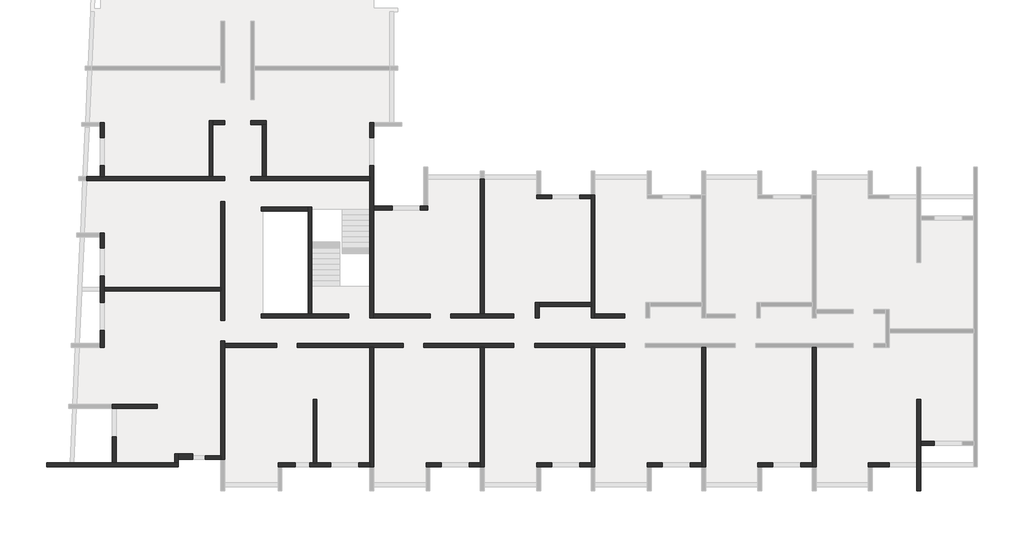
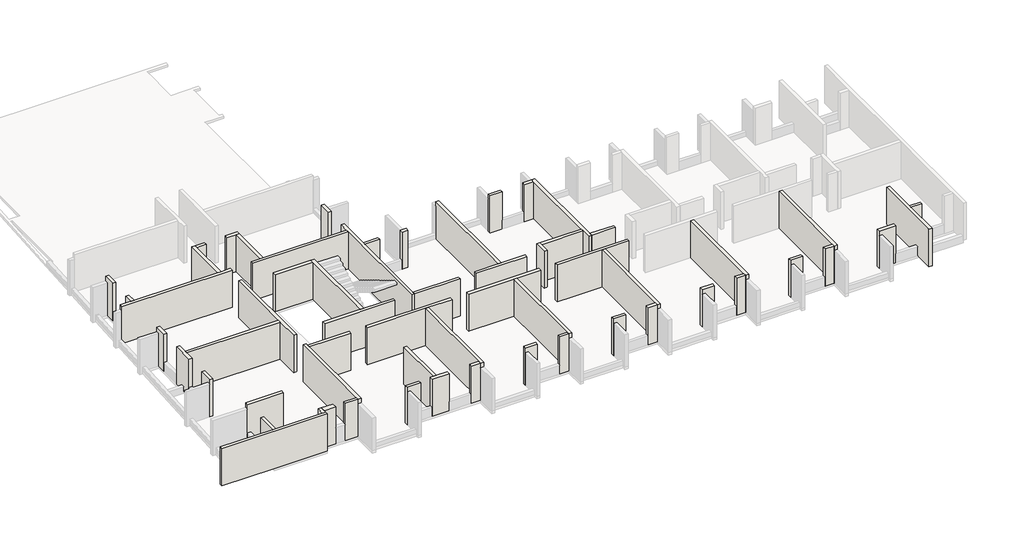
# One storey, part 1 of 4: 60 walls.
"""IFC4 building model written with IfcOpenShell, lengths in millimetres."""

from ifc_helpers import new_model, si_unit, frame, origin, place, context, project, spatial, polyline, outline, extrude, faceted_brep, element, save

model = new_model("IFC4")

# Units and contexts
model_context = context("Model", 3, world=origin())
ifc_project = project(units=[si_unit("LENGTHUNIT", "METRE", prefix="MILLI")], contexts=[model_context])

# Site, building, storey
site = spatial("IfcSite", under=ifc_project)
building = spatial("IfcBuilding", under=site)
storey = spatial("IfcBuildingStorey", under=building, Elevation=12290.0)

# Walls
placement = place(None, origin())
element("IfcWall", 1, ObjectType="MHA20", at=placement, inside=storey, context=model_context, shape_type="Brep", body=[
    faceted_brep([(-6305.6912908, -19419.0672499, 12290.0), (-6305.6912908, -13279.0672499, 12290.0), (-6305.6912908, -13279.0672499, 14820.0), (-6305.6912908, -19419.0672499, 14820.0), (-6305.6912908, -19419.0672499, 14520.0), (-6505.6912908, -19419.0672499, 12290.0), (-6505.6912908, -19419.0672499, 14520.0), (-6505.6912908, -19419.0672499, 14820.0), (-6505.6912908, -19219.0672499, 14820.0), (-6505.6912908, -13279.0672499, 14820.0), (-6505.6912908, -13279.0672499, 12290.0), (-6505.6912908, -19219.0672499, 12290.0)], [[[0, 1, 2, 3, 4]], [[5, 6, 7, 8, 9, 10, 11]], [[1, 0, 5, 11, 10]], [[3, 2, 9, 8, 7]], [[2, 1, 10, 9]], [[0, 4, 3, 7, 6, 5]]]),
])
element("IfcWall", 2, ObjectType="MHA20", at=placement, inside=storey, context=model_context, shape_type="Brep", body=[
    faceted_brep([(-925.6912908, -20669.0672499, 12290.0), (-925.6912908, -18319.0672499, 12290.0), (-925.6912908, -18119.0672499, 12290.0), (-925.6912908, -15939.0672499, 12290.0), (-925.6912908, -15939.0672499, 14820.0), (-925.6912908, -18119.0672499, 14820.0), (-925.6912908, -18319.0672499, 14820.0), (-925.6912908, -20669.0672499, 14820.0), (-1125.6912908, -20669.0672499, 12290.0), (-1125.6912908, -20669.0672499, 14820.0), (-1125.6912908, -15939.0672499, 14820.0), (-1125.6912908, -15939.0672499, 12290.0), (-1125.6912908, -19219.0672499, 12290.0), (-1125.6912908, -19419.0672499, 12290.0)], [[[0, 1, 2, 3, 4, 5, 6, 7]], [[8, 9, 10, 11, 12, 13]], [[3, 2, 1, 0, 8, 13, 12, 11]], [[4, 3, 11, 10]], [[7, 6, 5, 4, 10, 9]], [[0, 7, 9, 8]]]),
])
element("IfcWall", 3, ObjectType="MHA20", at=placement, inside=storey, context=model_context, shape_type="SweptSolid", body=[
    extrude(outline(polyline([(-225.6912908, -18319.0672499), (-925.6912908, -18319.0672499), (-925.6912908, -18119.0672499), (-225.6912908, -18119.0672499), (-225.6912908, -18319.0672499)])), frame((0.0, 0.0, 12290.0), z_axis=(0.0, 0.0, 1.0), x_axis=(1.0, 0.0, 0.0)), (0.0, 0.0, 1.0), 2530.0),
])
element("IfcWall", 4, ObjectType="MHA20", at=placement, inside=storey, context=model_context, shape_type="Brep", body=[
    faceted_brep([(-3615.6912908, -19419.0672499, 12290.0), (-3415.6912908, -19419.0672499, 12290.0), (-2545.6912908, -19419.0672499, 12290.0), (-2545.6912908, -19419.0672499, 12890.0), (-2545.6912908, -19419.0672499, 14820.0), (-3615.6912908, -19419.0672499, 14820.0), (-3615.6912908, -19419.0672499, 14520.0), (-3615.6912908, -19219.0672499, 12290.0), (-3615.6912908, -19219.0672499, 14820.0), (-2545.6912908, -19219.0672499, 14820.0), (-2545.6912908, -19219.0672499, 12890.0), (-2545.6912908, -19219.0672499, 12290.0)], [[[0, 1, 2, 3, 4, 5, 6]], [[7, 8, 9, 10, 11]], [[2, 1, 0, 7, 11]], [[4, 3, 2, 11, 10, 9]], [[5, 4, 9, 8]], [[0, 6, 5, 8, 7]]]),
])
element("IfcWall", 5, ObjectType="MHA20", at=placement, inside=storey, context=model_context, shape_type="Brep", body=[
    faceted_brep([(-11995.6912908, -19419.0672499, 12290.0), (-11995.6912908, -13279.0672499, 12290.0), (-11995.6912908, -13279.0672499, 14820.0), (-11995.6912908, -19419.0672499, 14820.0), (-11995.6912908, -19419.0672499, 14520.0), (-12195.6912908, -19419.0672499, 12290.0), (-12195.6912908, -19419.0672499, 14520.0), (-12195.6912908, -19419.0672499, 14820.0), (-12195.6912908, -19219.0672499, 14820.0), (-12195.6912908, -13279.0672499, 14820.0), (-12195.6912908, -13279.0672499, 12290.0), (-12195.6912908, -19219.0672499, 12290.0)], [[[0, 1, 2, 3, 4]], [[5, 6, 7, 8, 9, 10, 11]], [[1, 0, 5, 11, 10]], [[3, 2, 9, 8, 7]], [[2, 1, 10, 9]], [[0, 4, 3, 7, 6, 5]]]),
])
element("IfcWall", 6, ObjectType="MHA20", at=placement, inside=storey, context=model_context, shape_type="Brep", body=[
    faceted_brep([(-9305.6912908, -19419.0672499, 12290.0), (-9105.6912908, -19419.0672499, 12290.0), (-8525.6912908, -19419.0672499, 12290.0), (-8525.6912908, -19419.0672499, 12890.0), (-8525.6912908, -19419.0672499, 14820.0), (-9305.6912908, -19419.0672499, 14820.0), (-9305.6912908, -19419.0672499, 14520.0), (-9305.6912908, -19219.0672499, 12290.0), (-9305.6912908, -19219.0672499, 14820.0), (-8525.6912908, -19219.0672499, 14820.0), (-8525.6912908, -19219.0672499, 12890.0), (-8525.6912908, -19219.0672499, 12290.0)], [[[0, 1, 2, 3, 4, 5, 6]], [[7, 8, 9, 10, 11]], [[2, 1, 0, 7, 11]], [[4, 3, 2, 11, 10, 9]], [[5, 4, 9, 8]], [[0, 6, 5, 8, 7]]]),
])
element("IfcWall", 7, ObjectType="MHA20", at=placement, inside=storey, context=model_context, shape_type="Brep", body=[
    faceted_brep([(-7085.6912908, -19419.0672499, 12290.0), (-6505.6912908, -19419.0672499, 12290.0), (-6505.6912908, -19419.0672499, 14820.0), (-7085.6912908, -19419.0672499, 14820.0), (-7085.6912908, -19419.0672499, 12890.0), (-7085.6912908, -19219.0672499, 12290.0), (-7085.6912908, -19219.0672499, 12890.0), (-7085.6912908, -19219.0672499, 14820.0), (-6505.6912908, -19219.0672499, 14820.0), (-6505.6912908, -19219.0672499, 12290.0)], [[[0, 1, 2, 3, 4]], [[5, 6, 7, 8, 9]], [[1, 0, 5, 9]], [[3, 2, 8, 7]], [[0, 4, 3, 7, 6, 5]], [[2, 1, 9, 8]]]),
])
element("IfcWall", 8, ObjectType="MHA20", at=placement, inside=storey, context=model_context, shape_type="Brep", body=[
    faceted_brep([(-17685.6912908, -19419.0672499, 12290.0), (-17685.6912908, -13279.0672499, 12290.0), (-17685.6912908, -13279.0672499, 14820.0), (-17685.6912908, -19419.0672499, 14820.0), (-17685.6912908, -19419.0672499, 14520.0), (-17885.6912908, -19419.0672499, 12290.0), (-17885.6912908, -19419.0672499, 14520.0), (-17885.6912908, -19419.0672499, 14820.0), (-17885.6912908, -19219.0672499, 14820.0), (-17885.6912908, -13279.0672499, 14820.0), (-17885.6912908, -13279.0672499, 12290.0), (-17885.6912908, -19219.0672499, 12290.0)], [[[0, 1, 2, 3, 4]], [[5, 6, 7, 8, 9, 10, 11]], [[1, 0, 5, 11, 10]], [[3, 2, 9, 8, 7]], [[2, 1, 10, 9]], [[0, 4, 3, 7, 6, 5]]]),
])
element("IfcWall", 9, ObjectType="MHA20", at=placement, inside=storey, context=model_context, shape_type="Brep", body=[
    faceted_brep([(-14995.6912908, -19419.0672499, 12290.0), (-14795.6912908, -19419.0672499, 12290.0), (-14215.6912908, -19419.0672499, 12290.0), (-14215.6912908, -19419.0672499, 12890.0), (-14215.6912908, -19419.0672499, 14820.0), (-14995.6912908, -19419.0672499, 14820.0), (-14995.6912908, -19419.0672499, 14520.0), (-14995.6912908, -19219.0672499, 12290.0), (-14995.6912908, -19219.0672499, 14820.0), (-14215.6912908, -19219.0672499, 14820.0), (-14215.6912908, -19219.0672499, 12890.0), (-14215.6912908, -19219.0672499, 12290.0)], [[[0, 1, 2, 3, 4, 5, 6]], [[7, 8, 9, 10, 11]], [[2, 1, 0, 7, 11]], [[4, 3, 2, 11, 10, 9]], [[5, 4, 9, 8]], [[0, 6, 5, 8, 7]]]),
])
element("IfcWall", 10, ObjectType="MHA20", at=placement, inside=storey, context=model_context, shape_type="Brep", body=[
    faceted_brep([(-12775.6912908, -19419.0672499, 12290.0), (-12195.6912908, -19419.0672499, 12290.0), (-12195.6912908, -19419.0672499, 14820.0), (-12775.6912908, -19419.0672499, 14820.0), (-12775.6912908, -19419.0672499, 12890.0), (-12775.6912908, -19219.0672499, 12290.0), (-12775.6912908, -19219.0672499, 12890.0), (-12775.6912908, -19219.0672499, 14820.0), (-12195.6912908, -19219.0672499, 14820.0), (-12195.6912908, -19219.0672499, 12290.0)], [[[0, 1, 2, 3, 4]], [[5, 6, 7, 8, 9]], [[1, 0, 5, 9]], [[3, 2, 8, 7]], [[0, 4, 3, 7, 6, 5]], [[2, 1, 9, 8]]]),
])
element("IfcWall", 11, ObjectType="MHA20", at=placement, inside=storey, context=model_context, shape_type="Brep", body=[
    faceted_brep([(-23375.6912908, -19419.0672499, 12290.0), (-23375.6912908, -13279.0672499, 12290.0), (-23375.6912908, -13279.0672499, 14820.0), (-23375.6912908, -19419.0672499, 14820.0), (-23375.6912908, -19419.0672499, 14520.0), (-23575.6912908, -19419.0672499, 12290.0), (-23575.6912908, -19419.0672499, 14520.0), (-23575.6912908, -19419.0672499, 14820.0), (-23575.6912908, -19219.0672499, 14820.0), (-23575.6912908, -13279.0672499, 14820.0), (-23575.6912908, -13279.0672499, 12290.0), (-23575.6912908, -19219.0672499, 12290.0)], [[[0, 1, 2, 3, 4]], [[5, 6, 7, 8, 9, 10, 11]], [[1, 0, 5, 11, 10]], [[3, 2, 9, 8, 7]], [[2, 1, 10, 9]], [[0, 4, 3, 7, 6, 5]]]),
])
element("IfcWall", 12, ObjectType="MHA20", at=placement, inside=storey, context=model_context, shape_type="Brep", body=[
    faceted_brep([(-20685.6912908, -19419.0672499, 12290.0), (-20485.6912908, -19419.0672499, 12290.0), (-19905.6912908, -19419.0672499, 12290.0), (-19905.6912908, -19419.0672499, 12890.0), (-19905.6912908, -19419.0672499, 14820.0), (-20685.6912908, -19419.0672499, 14820.0), (-20685.6912908, -19419.0672499, 14520.0), (-20685.6912908, -19219.0672499, 12290.0), (-20685.6912908, -19219.0672499, 14820.0), (-19905.6912908, -19219.0672499, 14820.0), (-19905.6912908, -19219.0672499, 12890.0), (-19905.6912908, -19219.0672499, 12290.0)], [[[0, 1, 2, 3, 4, 5, 6]], [[7, 8, 9, 10, 11]], [[2, 1, 0, 7, 11]], [[4, 3, 2, 11, 10, 9]], [[5, 4, 9, 8]], [[0, 6, 5, 8, 7]]]),
])
element("IfcWall", 13, ObjectType="MHA20", at=placement, inside=storey, context=model_context, shape_type="Brep", body=[
    faceted_brep([(-18465.6912908, -19419.0672499, 12290.0), (-17885.6912908, -19419.0672499, 12290.0), (-17885.6912908, -19419.0672499, 14820.0), (-18465.6912908, -19419.0672499, 14820.0), (-18465.6912908, -19419.0672499, 12890.0), (-18465.6912908, -19219.0672499, 12290.0), (-18465.6912908, -19219.0672499, 12890.0), (-18465.6912908, -19219.0672499, 14820.0), (-17885.6912908, -19219.0672499, 14820.0), (-17885.6912908, -19219.0672499, 12290.0)], [[[0, 1, 2, 3, 4]], [[5, 6, 7, 8, 9]], [[1, 0, 5, 9]], [[3, 2, 8, 7]], [[0, 4, 3, 7, 6, 5]], [[2, 1, 9, 8]]]),
])
element("IfcWall", 14, ObjectType="MHA20", at=placement, inside=storey, context=model_context, shape_type="Brep", body=[
    faceted_brep([(-29065.6912908, -19419.0672499, 12290.0), (-29065.6912908, -13279.0672499, 12290.0), (-29065.6912908, -13279.0672499, 14820.0), (-29065.6912908, -19419.0672499, 14820.0), (-29065.6912908, -19419.0672499, 14520.0), (-29265.6912908, -19419.0672499, 12290.0), (-29265.6912908, -19419.0672499, 14520.0), (-29265.6912908, -19419.0672499, 14820.0), (-29265.6912908, -19219.0672499, 14820.0), (-29265.6912908, -13279.0672499, 14820.0), (-29265.6912908, -13279.0672499, 12290.0), (-29265.6912908, -19219.0672499, 12290.0)], [[[0, 1, 2, 3, 4]], [[5, 6, 7, 8, 9, 10, 11]], [[1, 0, 5, 11, 10]], [[3, 2, 9, 8, 7]], [[2, 1, 10, 9]], [[0, 4, 3, 7, 6, 5]]]),
])
element("IfcWall", 15, ObjectType="MHA20", at=placement, inside=storey, context=model_context, shape_type="Brep", body=[
    faceted_brep([(-26375.6912908, -19419.0672499, 12290.0), (-26175.6912908, -19419.0672499, 12290.0), (-25595.6912908, -19419.0672499, 12290.0), (-25595.6912908, -19419.0672499, 12890.0), (-25595.6912908, -19419.0672499, 14820.0), (-26375.6912908, -19419.0672499, 14820.0), (-26375.6912908, -19419.0672499, 14520.0), (-26375.6912908, -19219.0672499, 12290.0), (-26375.6912908, -19219.0672499, 14820.0), (-25595.6912908, -19219.0672499, 14820.0), (-25595.6912908, -19219.0672499, 12890.0), (-25595.6912908, -19219.0672499, 12290.0)], [[[0, 1, 2, 3, 4, 5, 6]], [[7, 8, 9, 10, 11]], [[2, 1, 0, 7, 11]], [[4, 3, 2, 11, 10, 9]], [[5, 4, 9, 8]], [[0, 6, 5, 8, 7]]]),
])
element("IfcWall", 16, ObjectType="MHA20", at=placement, inside=storey, context=model_context, shape_type="Brep", body=[
    faceted_brep([(-24155.6912908, -19419.0672499, 12290.0), (-23575.6912908, -19419.0672499, 12290.0), (-23575.6912908, -19419.0672499, 14820.0), (-24155.6912908, -19419.0672499, 14820.0), (-24155.6912908, -19419.0672499, 12890.0), (-24155.6912908, -19219.0672499, 12290.0), (-24155.6912908, -19219.0672499, 12890.0), (-24155.6912908, -19219.0672499, 14820.0), (-23575.6912908, -19219.0672499, 14820.0), (-23575.6912908, -19219.0672499, 12290.0)], [[[0, 1, 2, 3, 4]], [[5, 6, 7, 8, 9]], [[1, 0, 5, 9]], [[3, 2, 8, 7]], [[0, 4, 3, 7, 6, 5]], [[2, 1, 9, 8]]]),
])
element("IfcWall", 17, ObjectType="MHA20", at=placement, inside=storey, context=model_context, shape_type="Brep", body=[
    faceted_brep([(-17885.6912908, -5419.0672499, 12290.0), (-17885.6912908, -5619.0672499, 12290.0), (-17885.6912908, -10959.0672499, 12290.0), (-17885.6912908, -11159.0672499, 12290.0), (-17885.6912908, -11759.0672499, 12290.0), (-17885.6912908, -11759.0672499, 14820.0), (-17885.6912908, -11159.0672499, 14820.0), (-17885.6912908, -10959.0672499, 14820.0), (-17885.6912908, -5619.0672499, 14820.0), (-17885.6912908, -5419.0672499, 14820.0), (-17885.6912908, -5419.0672499, 14520.0), (-17685.6912908, -5419.0672499, 12290.0), (-17685.6912908, -5419.0672499, 14520.0), (-17685.6912908, -5419.0672499, 14820.0), (-17685.6912908, -11559.0672499, 14820.0), (-17685.6912908, -11759.0672499, 14820.0), (-17685.6912908, -11759.0672499, 12290.0), (-17685.6912908, -11559.0672499, 12290.0)], [[[0, 1, 2, 3, 4, 5, 6, 7, 8, 9, 10]], [[11, 12, 13, 14, 15, 16, 17]], [[4, 3, 2, 1, 0, 11, 17, 16]], [[9, 8, 7, 6, 5, 15, 14, 13]], [[5, 4, 16, 15]], [[0, 10, 9, 13, 12, 11]]]),
])
element("IfcWall", 18, ObjectType="MHA20", at=placement, inside=storey, context=model_context, shape_type="Brep", body=[
    faceted_brep([(-23575.6912908, -4599.0672499, 12290.0), (-23575.6912908, -11559.0672499, 12290.0), (-23575.6912908, -11559.0672499, 14820.0), (-23575.6912908, -4599.0672499, 14820.0), (-23575.6912908, -4599.0672499, 14520.0), (-23375.6912908, -4599.0672499, 12290.0), (-23375.6912908, -4599.0672499, 14520.0), (-23375.6912908, -4599.0672499, 14820.0), (-23375.6912908, -11559.0672499, 14820.0), (-23375.6912908, -11559.0672499, 12290.0)], [[[0, 1, 2, 3, 4]], [[5, 6, 7, 8, 9]], [[1, 0, 5, 9]], [[3, 2, 8, 7]], [[0, 4, 3, 7, 6, 5]], [[2, 1, 9, 8]]]),
])
element("IfcWall", 19, ObjectType="MHA20", at=placement, inside=storey, context=model_context, shape_type="Brep", body=[
    faceted_brep([(-20685.6912908, -5619.0672499, 12290.0), (-19905.6912908, -5619.0672499, 12290.0), (-19905.6912908, -5619.0672499, 12890.0), (-19905.6912908, -5619.0672499, 14820.0), (-20685.6912908, -5619.0672499, 14820.0), (-20685.6912908, -5419.0672499, 12290.0), (-20685.6912908, -5419.0672499, 14520.0), (-20685.6912908, -5419.0672499, 14820.0), (-19905.6912908, -5419.0672499, 14820.0), (-19905.6912908, -5419.0672499, 12890.0), (-19905.6912908, -5419.0672499, 12290.0), (-20485.6912908, -5419.0672499, 12290.0)], [[[0, 1, 2, 3, 4]], [[5, 6, 7, 8, 9, 10, 11]], [[1, 0, 5, 11, 10]], [[3, 2, 1, 10, 9, 8]], [[4, 3, 8, 7]], [[0, 4, 7, 6, 5]]]),
])
element("IfcWall", 20, ObjectType="MHA20", at=placement, inside=storey, context=model_context, shape_type="Brep", body=[
    faceted_brep([(-18465.6912908, -5619.0672499, 12290.0), (-17885.6912908, -5619.0672499, 12290.0), (-17885.6912908, -5619.0672499, 14820.0), (-18465.6912908, -5619.0672499, 14820.0), (-18465.6912908, -5619.0672499, 12890.0), (-18465.6912908, -5419.0672499, 12290.0), (-18465.6912908, -5419.0672499, 12890.0), (-18465.6912908, -5419.0672499, 14820.0), (-17885.6912908, -5419.0672499, 14820.0), (-17885.6912908, -5419.0672499, 12290.0)], [[[0, 1, 2, 3, 4]], [[5, 6, 7, 8, 9]], [[1, 0, 5, 9]], [[3, 2, 8, 7]], [[0, 4, 3, 7, 6, 5]], [[2, 1, 9, 8]]]),
])
element("IfcWall", 21, ObjectType="MHA20", at=placement, inside=storey, context=model_context, shape_type="Brep", body=[
    faceted_brep([(-36735.6912908, -19049.0672499, 12290.0), (-36735.6912908, -13279.0672499, 12290.0), (-36735.6912908, -13079.0672499, 12290.0), (-36735.6912908, -12949.0672499, 12290.0), (-36735.6912908, -12949.0672499, 14820.0), (-36735.6912908, -13079.0672499, 14820.0), (-36735.6912908, -13279.0672499, 14820.0), (-36735.6912908, -19049.0672499, 14820.0), (-36735.6912908, -19049.0672499, 14520.0), (-36935.6912908, -19049.0672499, 12290.0), (-36935.6912908, -19049.0672499, 14520.0), (-36935.6912908, -19049.0672499, 14820.0), (-36935.6912908, -18849.0672499, 14820.0), (-36935.6912908, -12949.0672499, 14820.0), (-36935.6912908, -12949.0672499, 12290.0), (-36935.6912908, -18849.0672499, 12290.0)], [[[0, 1, 2, 3, 4, 5, 6, 7, 8]], [[9, 10, 11, 12, 13, 14, 15]], [[3, 2, 1, 0, 9, 15, 14]], [[4, 3, 14, 13]], [[7, 6, 5, 4, 13, 12, 11]], [[0, 8, 7, 11, 10, 9]]]),
])
element("IfcWall", 22, ObjectType="MHA20", at=placement, inside=storey, context=model_context, shape_type="SweptSolid", body=[
    extrude(outline(polyline([(-31985.6912908, -15939.0672499), (-31985.6912908, -19219.0672499), (-32185.6912908, -19219.0672499), (-32185.6912908, -15939.0672499), (-31985.6912908, -15939.0672499)])), frame((0.0, 0.0, 12290.0), z_axis=(0.0, 0.0, 1.0), x_axis=(1.0, 0.0, 0.0)), (0.0, 0.0, 1.0), 2530.0),
])
element("IfcWall", 23, ObjectType="MHA20", at=placement, inside=storey, context=model_context, shape_type="Brep", body=[
    faceted_brep([(-33985.6912908, -19419.0672499, 12290.0), (-33785.6912908, -19419.0672499, 12290.0), (-33105.6912908, -19419.0672499, 12290.0), (-33105.6912908, -19419.0672499, 12890.0), (-33105.6912908, -19419.0672499, 14820.0), (-33985.6912908, -19419.0672499, 14820.0), (-33985.6912908, -19419.0672499, 14520.0), (-33985.6912908, -19219.0672499, 12290.0), (-33985.6912908, -19219.0672499, 14820.0), (-33105.6912908, -19219.0672499, 14820.0), (-33105.6912908, -19219.0672499, 12890.0), (-33105.6912908, -19219.0672499, 12290.0)], [[[0, 1, 2, 3, 4, 5, 6]], [[7, 8, 9, 10, 11]], [[2, 1, 0, 7, 11]], [[4, 3, 2, 11, 10, 9]], [[5, 4, 9, 8]], [[0, 6, 5, 8, 7]]]),
])
element("IfcWall", 24, ObjectType="MHA20", at=placement, inside=storey, context=model_context, shape_type="Brep", body=[
    faceted_brep([(-32365.6912908, -19419.0672499, 12290.0), (-31285.6912908, -19419.0672499, 12290.0), (-31285.6912908, -19419.0672499, 12890.0), (-31285.6912908, -19419.0672499, 14820.0), (-32365.6912908, -19419.0672499, 14820.0), (-32365.6912908, -19419.0672499, 12890.0), (-32365.6912908, -19219.0672499, 12290.0), (-32365.6912908, -19219.0672499, 12890.0), (-32365.6912908, -19219.0672499, 14820.0), (-32185.6912908, -19219.0672499, 14820.0), (-31985.6912908, -19219.0672499, 14820.0), (-31285.6912908, -19219.0672499, 14820.0), (-31285.6912908, -19219.0672499, 12890.0), (-31285.6912908, -19219.0672499, 12290.0), (-31985.6912908, -19219.0672499, 12290.0), (-32185.6912908, -19219.0672499, 12290.0)], [[[0, 1, 2, 3, 4, 5]], [[6, 7, 8, 9, 10, 11, 12, 13, 14, 15]], [[1, 0, 6, 15, 14, 13]], [[3, 2, 1, 13, 12, 11]], [[4, 3, 11, 10, 9, 8]], [[0, 5, 4, 8, 7, 6]]]),
])
element("IfcWall", 25, ObjectType="MHA20", at=placement, inside=storey, context=model_context, shape_type="Brep", body=[
    faceted_brep([(-29845.6912908, -19419.0672499, 12290.0), (-29265.6912908, -19419.0672499, 12290.0), (-29265.6912908, -19419.0672499, 14820.0), (-29845.6912908, -19419.0672499, 14820.0), (-29845.6912908, -19419.0672499, 12890.0), (-29845.6912908, -19219.0672499, 12290.0), (-29845.6912908, -19219.0672499, 12890.0), (-29845.6912908, -19219.0672499, 14820.0), (-29265.6912908, -19219.0672499, 14820.0), (-29265.6912908, -19219.0672499, 12290.0)], [[[0, 1, 2, 3, 4]], [[5, 6, 7, 8, 9]], [[1, 0, 5, 9]], [[3, 2, 8, 7]], [[0, 4, 3, 7, 6, 5]], [[2, 1, 9, 8]]]),
])
element("IfcWall", 26, ObjectType="MHA20", at=placement, inside=storey, context=model_context, shape_type="Brep", body=[
    faceted_brep([(-39115.6912908, -19419.0672499, 12290.0), (-39115.6912908, -19419.0672499, 14820.0), (-45899.4109651, -19419.0672499, 14820.0), (-45899.4109651, -19419.0672499, 12290.0), (-39115.6912908, -19219.0672499, 14820.0), (-39115.6912908, -19219.0672499, 12290.0), (-39315.6912908, -19219.0672499, 12290.0), (-42325.6912908, -19219.0672499, 12290.0), (-42525.6912908, -19219.0672499, 12290.0), (-45890.3379827, -19219.0672499, 12290.0), (-45890.3379827, -19219.0672499, 14820.0), (-42525.6912908, -19219.0672499, 14820.0), (-42325.6912908, -19219.0672499, 14820.0), (-39315.6912908, -19219.0672499, 14820.0)], [[[0, 1, 2, 3]], [[4, 5, 6, 7, 8, 9, 10, 11, 12, 13]], [[5, 0, 3, 9, 8, 7, 6]], [[1, 4, 13, 12, 11, 10, 2]], [[3, 2, 10, 9]], [[1, 0, 5, 4]]]),
])
element("IfcWall", 27, ObjectType="MHA20", at=placement, inside=storey, context=model_context, shape_type="Brep", body=[
    faceted_brep([(-39115.6912908, -19219.0672499, 12290.0), (-39115.6912908, -19049.0672499, 12290.0), (-39115.6912908, -18749.0672499, 12290.0), (-39115.6912908, -18749.0672499, 14820.0), (-39115.6912908, -19049.0672499, 14820.0), (-39115.6912908, -19219.0672499, 14820.0), (-39315.6912908, -19219.0672499, 12290.0), (-39315.6912908, -19219.0672499, 14820.0), (-39315.6912908, -18749.0672499, 14820.0), (-39315.6912908, -18749.0672499, 12290.0)], [[[0, 1, 2, 3, 4, 5]], [[6, 7, 8, 9]], [[2, 1, 0, 6, 9]], [[5, 4, 3, 8, 7]], [[3, 2, 9, 8]], [[0, 5, 7, 6]]]),
])
element("IfcWall", 28, ObjectType="MHA20", at=placement, inside=storey, context=model_context, shape_type="SweptSolid", body=[
    extrude(outline(polyline([(-36935.6912908, -19049.0672499), (-37735.6912908, -19049.0672499), (-37735.6912908, -18849.0672499), (-36935.6912908, -18849.0672499), (-36935.6912908, -19049.0672499)])), frame((0.0, 0.0, 12290.0), z_axis=(0.0, 0.0, 1.0), x_axis=(1.0, 0.0, 0.0)), (0.0, 0.0, 1.0), 2530.0),
])
element("IfcWall", 29, ObjectType="MHA20", at=placement, inside=storey, context=model_context, shape_type="Brep", body=[
    faceted_brep([(-16160.6912908, -13079.0672499, 12290.0), (-20790.6912908, -13079.0672499, 12290.0), (-20790.6912908, -13079.0672499, 14820.0), (-16160.6912908, -13079.0672499, 14820.0), (-16160.6912908, -13279.0672499, 12290.0), (-16160.6912908, -13279.0672499, 14820.0), (-17685.6912908, -13279.0672499, 14820.0), (-17885.6912908, -13279.0672499, 14820.0), (-20790.6912908, -13279.0672499, 14820.0), (-20790.6912908, -13279.0672499, 12290.0), (-17885.6912908, -13279.0672499, 12290.0), (-17685.6912908, -13279.0672499, 12290.0)], [[[0, 1, 2, 3]], [[4, 5, 6, 7, 8, 9, 10, 11]], [[1, 0, 4, 11, 10, 9]], [[2, 1, 9, 8]], [[3, 2, 8, 7, 6, 5]], [[0, 3, 5, 4]]]),
])
element("IfcWall", 30, ObjectType="MHA20", at=placement, inside=storey, context=model_context, shape_type="Brep", body=[
    faceted_brep([(-21850.6912908, -13079.0672499, 12290.0), (-26480.6912908, -13079.0672499, 12290.0), (-26480.6912908, -13079.0672499, 14820.0), (-21850.6912908, -13079.0672499, 14820.0), (-21850.6912908, -13279.0672499, 12290.0), (-21850.6912908, -13279.0672499, 14820.0), (-23375.6912908, -13279.0672499, 14820.0), (-23575.6912908, -13279.0672499, 14820.0), (-26480.6912908, -13279.0672499, 14820.0), (-26480.6912908, -13279.0672499, 12290.0), (-23575.6912908, -13279.0672499, 12290.0), (-23375.6912908, -13279.0672499, 12290.0)], [[[0, 1, 2, 3]], [[4, 5, 6, 7, 8, 9, 10, 11]], [[1, 0, 4, 11, 10, 9]], [[2, 1, 9, 8]], [[3, 2, 8, 7, 6, 5]], [[0, 3, 5, 4]]]),
])
element("IfcWall", 31, ObjectType="MHA20", at=placement, inside=storey, context=model_context, shape_type="Brep", body=[
    faceted_brep([(-27540.6912908, -13079.0672499, 12290.0), (-32995.6912908, -13079.0672499, 12290.0), (-32995.6912908, -13079.0672499, 14820.0), (-27540.6912908, -13079.0672499, 14820.0), (-27540.6912908, -13279.0672499, 12290.0), (-27540.6912908, -13279.0672499, 14820.0), (-29065.6912908, -13279.0672499, 14820.0), (-29265.6912908, -13279.0672499, 14820.0), (-32995.6912908, -13279.0672499, 14820.0), (-32995.6912908, -13279.0672499, 12290.0), (-29265.6912908, -13279.0672499, 12290.0), (-29065.6912908, -13279.0672499, 12290.0)], [[[0, 1, 2, 3]], [[4, 5, 6, 7, 8, 9, 10, 11]], [[1, 0, 4, 11, 10, 9]], [[2, 1, 9, 8]], [[3, 2, 8, 7, 6, 5]], [[0, 3, 5, 4]]]),
])
element("IfcWall", 32, ObjectType="MHA20", at=placement, inside=storey, context=model_context, shape_type="SweptSolid", body=[
    extrude(outline(polyline([(-34055.6912908, -13279.0672499), (-36735.6912908, -13279.0672499), (-36735.6912908, -13079.0672499), (-34055.6912908, -13079.0672499), (-34055.6912908, -13279.0672499)])), frame((0.0, 0.0, 12290.0), z_axis=(0.0, 0.0, 1.0), x_axis=(1.0, 0.0, 0.0)), (0.0, 0.0, 1.0), 2530.0),
])
element("IfcWall", 33, ObjectType="MHA20", at=placement, inside=storey, context=model_context, shape_type="Brep", body=[
    faceted_brep([(-20550.6912908, -11759.0672499, 12290.0), (-20550.6912908, -11159.0672499, 12290.0), (-20550.6912908, -10959.0672499, 12290.0), (-20550.6912908, -10959.0672499, 14820.0), (-20550.6912908, -11159.0672499, 14820.0), (-20550.6912908, -11759.0672499, 14820.0), (-20750.6912908, -11759.0672499, 12290.0), (-20750.6912908, -11759.0672499, 14820.0), (-20750.6912908, -10959.0672499, 14820.0), (-20750.6912908, -10959.0672499, 12290.0)], [[[0, 1, 2, 3, 4, 5]], [[6, 7, 8, 9]], [[2, 1, 0, 6, 9]], [[5, 4, 3, 8, 7]], [[0, 5, 7, 6]], [[3, 2, 9, 8]]]),
])
element("IfcWall", 34, ObjectType="MHA20", at=placement, inside=storey, context=model_context, shape_type="SweptSolid", body=[
    extrude(outline(polyline([(-17885.6912908, -11159.0672499), (-20550.6912908, -11159.0672499), (-20550.6912908, -10959.0672499), (-17885.6912908, -10959.0672499), (-17885.6912908, -11159.0672499)])), frame((0.0, 0.0, 12290.0), z_axis=(0.0, 0.0, 1.0), x_axis=(1.0, 0.0, 0.0)), (0.0, 0.0, 1.0), 2530.0),
])
element("IfcWall", 35, ObjectType="MHA20", at=placement, inside=storey, context=model_context, shape_type="SweptSolid", body=[
    extrude(outline(polyline([(-17685.6912908, -11559.0672499), (-16160.6912908, -11559.0672499), (-16160.6912908, -11759.0672499), (-17685.6912908, -11759.0672499), (-17685.6912908, -11559.0672499)])), frame((0.0, 0.0, 12290.0), z_axis=(0.0, 0.0, 1.0), x_axis=(1.0, 0.0, 0.0)), (0.0, 0.0, 1.0), 2530.0),
])
element("IfcWall", 36, ObjectType="MHA20", at=placement, inside=storey, context=model_context, shape_type="Brep", body=[
    faceted_brep([(-21850.6912908, -11559.0672499, 12290.0), (-23375.6912908, -11559.0672499, 12290.0), (-23575.6912908, -11559.0672499, 12290.0), (-25095.6912908, -11559.0672499, 12290.0), (-25095.6912908, -11559.0672499, 14820.0), (-23575.6912908, -11559.0672499, 14820.0), (-23375.6912908, -11559.0672499, 14820.0), (-21850.6912908, -11559.0672499, 14820.0), (-21850.6912908, -11759.0672499, 12290.0), (-21850.6912908, -11759.0672499, 14820.0), (-25095.6912908, -11759.0672499, 14820.0), (-25095.6912908, -11759.0672499, 12290.0)], [[[0, 1, 2, 3, 4, 5, 6, 7]], [[8, 9, 10, 11]], [[3, 2, 1, 0, 8, 11]], [[4, 3, 11, 10]], [[7, 6, 5, 4, 10, 9]], [[0, 7, 9, 8]]]),
])
element("IfcWall", 37, ObjectType="MHA20", at=placement, inside=storey, context=model_context, shape_type="Brep", body=[
    faceted_brep([(-29065.6912908, -11759.0672499, 12290.0), (-29065.6912908, -11559.0672499, 12290.0), (-29065.6912908, -6204.0672499, 12290.0), (-29065.6912908, -6004.0672499, 12290.0), (-29065.6912908, -3909.0672499, 12290.0), (-29065.6912908, -3909.0672499, 12890.0), (-29065.6912908, -3909.0672499, 14820.0), (-29065.6912908, -6004.0672499, 14820.0), (-29065.6912908, -6204.0672499, 14820.0), (-29065.6912908, -11559.0672499, 14820.0), (-29065.6912908, -11759.0672499, 14820.0), (-29265.6912908, -11759.0672499, 12290.0), (-29265.6912908, -11759.0672499, 14820.0), (-29265.6912908, -4689.0672499, 14820.0), (-29265.6912908, -4489.0672499, 14820.0), (-29265.6912908, -3909.0672499, 14820.0), (-29265.6912908, -3909.0672499, 12890.0), (-29265.6912908, -3909.0672499, 12290.0), (-29265.6912908, -4489.0672499, 12290.0), (-29265.6912908, -4689.0672499, 12290.0)], [[[0, 1, 2, 3, 4, 5, 6, 7, 8, 9, 10]], [[11, 12, 13, 14, 15, 16, 17, 18, 19]], [[4, 3, 2, 1, 0, 11, 19, 18, 17]], [[6, 5, 4, 17, 16, 15]], [[10, 9, 8, 7, 6, 15, 14, 13, 12]], [[0, 10, 12, 11]]]),
])
element("IfcWall", 38, ObjectType="MHA20", at=placement, inside=storey, context=model_context, shape_type="Brep", body=[
    faceted_brep([(-35405.6912908, -4689.0672499, 12290.0), (-29265.6912908, -4689.0672499, 12290.0), (-29265.6912908, -4689.0672499, 14820.0), (-35405.6912908, -4689.0672499, 14820.0), (-35405.6912908, -4489.0672499, 12290.0), (-35405.6912908, -4489.0672499, 14820.0), (-34805.6912908, -4489.0672499, 14820.0), (-34605.6912908, -4489.0672499, 14820.0), (-29265.6912908, -4489.0672499, 14820.0), (-29265.6912908, -4489.0672499, 12290.0), (-34605.6912908, -4489.0672499, 12290.0), (-34805.6912908, -4489.0672499, 12290.0)], [[[0, 1, 2, 3]], [[4, 5, 6, 7, 8, 9, 10, 11]], [[1, 0, 4, 11, 10, 9]], [[3, 2, 8, 7, 6, 5]], [[0, 3, 5, 4]], [[2, 1, 9, 8]]]),
])
element("IfcWall", 39, ObjectType="MHA20", at=placement, inside=storey, context=model_context, shape_type="Brep", body=[
    faceted_brep([(-26675.6912908, -6204.0672499, 12290.0), (-26295.6912908, -6204.0672499, 12290.0), (-26295.6912908, -6204.0672499, 14820.0), (-26675.6912908, -6204.0672499, 14820.0), (-26675.6912908, -6204.0672499, 12890.0), (-26675.6912908, -6004.0672499, 12290.0), (-26675.6912908, -6004.0672499, 12890.0), (-26675.6912908, -6004.0672499, 14820.0), (-26295.6912908, -6004.0672499, 14820.0), (-26295.6912908, -6004.0672499, 14520.0), (-26295.6912908, -6004.0672499, 12290.0), (-26495.6912908, -6004.0672499, 12290.0)], [[[0, 1, 2, 3, 4]], [[5, 6, 7, 8, 9, 10, 11]], [[1, 0, 5, 11, 10]], [[2, 1, 10, 9, 8]], [[3, 2, 8, 7]], [[0, 4, 3, 7, 6, 5]]]),
])
element("IfcWall", 40, ObjectType="MHA20", at=placement, inside=storey, context=model_context, shape_type="Brep", body=[
    faceted_brep([(-28115.6912908, -6004.0672499, 12290.0), (-29065.6912908, -6004.0672499, 12290.0), (-29065.6912908, -6004.0672499, 14820.0), (-28115.6912908, -6004.0672499, 14820.0), (-28115.6912908, -6004.0672499, 12890.0), (-28115.6912908, -6204.0672499, 12290.0), (-28115.6912908, -6204.0672499, 12890.0), (-28115.6912908, -6204.0672499, 14820.0), (-29065.6912908, -6204.0672499, 14820.0), (-29065.6912908, -6204.0672499, 12290.0)], [[[0, 1, 2, 3, 4]], [[5, 6, 7, 8, 9]], [[1, 0, 5, 9]], [[3, 2, 8, 7]], [[0, 4, 3, 7, 6, 5]], [[2, 1, 9, 8]]]),
])
element("IfcWall", 41, ObjectType="MHA20", at=placement, inside=storey, context=model_context, shape_type="SweptSolid", body=[
    extrude(outline(polyline([(-26155.6912908, -11759.0672499), (-29065.6912908, -11759.0672499), (-29065.6912908, -11559.0672499), (-26155.6912908, -11559.0672499), (-26155.6912908, -11759.0672499)])), frame((0.0, 0.0, 12290.0), z_axis=(0.0, 0.0, 1.0), x_axis=(1.0, 0.0, 0.0)), (0.0, 0.0, 1.0), 2530.0),
])
element("IfcWall", 42, ObjectType="MHA20", at=placement, inside=storey, context=model_context, shape_type="Brep", body=[
    faceted_brep([(-32245.6912908, -11559.0672499, 12290.0), (-32245.6912908, -6044.0672499, 12290.0), (-32245.6912908, -6044.0672499, 14820.0), (-32245.6912908, -11559.0672499, 14820.0), (-32445.6912908, -11559.0672499, 12290.0), (-32445.6912908, -11559.0672499, 14820.0), (-32445.6912908, -6244.0672499, 14820.0), (-32445.6912908, -6044.0672499, 14820.0), (-32445.6912908, -6044.0672499, 12290.0), (-32445.6912908, -6244.0672499, 12290.0)], [[[0, 1, 2, 3]], [[4, 5, 6, 7, 8, 9]], [[1, 0, 4, 9, 8]], [[3, 2, 7, 6, 5]], [[0, 3, 5, 4]], [[2, 1, 8, 7]]]),
])
element("IfcWall", 43, ObjectType="MHA20", at=placement, inside=storey, context=model_context, shape_type="Brep", body=[
    faceted_brep([(-34865.6912908, -11759.0672499, 12290.0), (-30340.6912908, -11759.0672499, 12290.0), (-30340.6912908, -11759.0672499, 14820.0), (-34865.6912908, -11759.0672499, 14820.0), (-34865.6912908, -11559.0672499, 12290.0), (-34865.6912908, -11559.0672499, 14820.0), (-32445.6912908, -11559.0672499, 14820.0), (-32245.6912908, -11559.0672499, 14820.0), (-30340.6912908, -11559.0672499, 14820.0), (-30340.6912908, -11559.0672499, 12290.0), (-32245.6912908, -11559.0672499, 12290.0), (-32445.6912908, -11559.0672499, 12290.0)], [[[0, 1, 2, 3]], [[4, 5, 6, 7, 8, 9, 10, 11]], [[1, 0, 4, 11, 10, 9]], [[2, 1, 9, 8]], [[3, 2, 8, 7, 6, 5]], [[0, 3, 5, 4]]]),
])
element("IfcWall", 44, ObjectType="MHA20", at=placement, inside=storey, context=model_context, shape_type="SweptSolid", body=[
    extrude(outline(polyline([(-32445.6912908, -6244.0672499), (-34865.6912908, -6244.0672499), (-34865.6912908, -6044.0672499), (-32445.6912908, -6044.0672499), (-32445.6912908, -6244.0672499)])), frame((0.0, 0.0, 12290.0), z_axis=(0.0, 0.0, 1.0), x_axis=(1.0, 0.0, 0.0)), (0.0, 0.0, 1.0), 2530.0),
])
element("IfcWall", 45, ObjectType="MHA20", at=placement, inside=storey, context=model_context, shape_type="SweptSolid", body=[
    extrude(outline(polyline([(-36935.6912908, -10379.0672499), (-42935.6912908, -10379.0672499), (-42935.6912908, -10179.0672499), (-36935.6912908, -10179.0672499), (-36935.6912908, -10379.0672499)])), frame((0.0, 0.0, 12290.0), z_axis=(0.0, 0.0, 1.0), x_axis=(1.0, 0.0, 0.0)), (0.0, 0.0, 1.0), 2530.0),
])
element("IfcWall", 46, ObjectType="MHA20", at=placement, inside=storey, context=model_context, shape_type="Brep", body=[
    faceted_brep([(-36735.6912908, -11889.0672499, 12290.0), (-36735.6912908, -5774.0672499, 12290.0), (-36735.6912908, -5774.0672499, 14820.0), (-36735.6912908, -11889.0672499, 14820.0), (-36935.6912908, -11889.0672499, 12290.0), (-36935.6912908, -11889.0672499, 14820.0), (-36935.6912908, -10379.0672499, 14820.0), (-36935.6912908, -10179.0672499, 14820.0), (-36935.6912908, -5774.0672499, 14820.0), (-36935.6912908, -5774.0672499, 12290.0), (-36935.6912908, -10179.0672499, 12290.0), (-36935.6912908, -10379.0672499, 12290.0)], [[[0, 1, 2, 3]], [[4, 5, 6, 7, 8, 9, 10, 11]], [[1, 0, 4, 11, 10, 9]], [[2, 1, 9, 8]], [[3, 2, 8, 7, 6, 5]], [[0, 3, 5, 4]]]),
])
element("IfcWall", 47, ObjectType="MHA20", at=placement, inside=storey, context=model_context, shape_type="Brep", body=[
    faceted_brep([(-36735.6912908, -4689.0672499, 12290.0), (-36735.6912908, -4689.0672499, 14820.0), (-43829.7459647, -4689.0672499, 14820.0), (-43829.7459647, -4689.0672499, 12290.0), (-36735.6912908, -4489.0672499, 14820.0), (-36735.6912908, -4489.0672499, 12290.0), (-37335.6912908, -4489.0672499, 12290.0), (-37535.6912908, -4489.0672499, 12290.0), (-42935.6912908, -4489.0672499, 12290.0), (-43135.6912908, -4489.0672499, 12290.0), (-43820.6729822, -4489.0672499, 12290.0), (-43820.6729822, -4489.0672499, 14820.0), (-43135.6912908, -4489.0672499, 14820.0), (-42935.6912908, -4489.0672499, 14820.0), (-37535.6912908, -4489.0672499, 14820.0), (-37335.6912908, -4489.0672499, 14820.0)], [[[0, 1, 2, 3]], [[4, 5, 6, 7, 8, 9, 10, 11, 12, 13, 14, 15]], [[5, 0, 3, 10, 9, 8, 7, 6]], [[1, 0, 5, 4]], [[1, 4, 15, 14, 13, 12, 11, 2]], [[3, 2, 11, 10]]]),
])
element("IfcWall", 48, ObjectType="MHA20", at=placement, inside=storey, context=model_context, shape_type="Brep", body=[
    faceted_brep([(-35405.6912908, -1794.0672499, 12290.0), (-34805.6912908, -1794.0672499, 12290.0), (-34605.6912908, -1794.0672499, 12290.0), (-34605.6912908, -1794.0672499, 14820.0), (-34805.6912908, -1794.0672499, 14820.0), (-35405.6912908, -1794.0672499, 14820.0), (-35405.6912908, -1594.0672499, 12290.0), (-35405.6912908, -1594.0672499, 14820.0), (-34605.6912908, -1594.0672499, 14820.0), (-34605.6912908, -1594.0672499, 12290.0)], [[[0, 1, 2, 3, 4, 5]], [[6, 7, 8, 9]], [[2, 1, 0, 6, 9]], [[5, 4, 3, 8, 7]], [[0, 5, 7, 6]], [[3, 2, 9, 8]]]),
])
element("IfcWall", 49, ObjectType="MHA20", at=placement, inside=storey, context=model_context, shape_type="SweptSolid", body=[
    extrude(outline(polyline([(-34605.6912908, -1794.0672499), (-34605.6912908, -4489.0672499), (-34805.6912908, -4489.0672499), (-34805.6912908, -1794.0672499), (-34605.6912908, -1794.0672499)])), frame((0.0, 0.0, 12290.0), z_axis=(0.0, 0.0, 1.0), x_axis=(1.0, 0.0, 0.0)), (0.0, 0.0, 1.0), 2530.0),
])
element("IfcWall", 50, ObjectType="MHA20", at=placement, inside=storey, context=model_context, shape_type="Brep", body=[
    faceted_brep([(-29065.6912908, -2469.0672499, 12290.0), (-29065.6912908, -1889.5482142, 12290.0), (-29065.6912908, -1689.5482142, 12290.0), (-29065.6912908, -1689.5482142, 14520.0), (-29065.6912908, -1689.5482142, 14820.0), (-29065.6912908, -2469.0672499, 14820.0), (-29065.6912908, -2469.0672499, 12890.0), (-29265.6912908, -2469.0672499, 12290.0), (-29265.6912908, -2469.0672499, 12890.0), (-29265.6912908, -2469.0672499, 14820.0), (-29265.6912908, -1689.5482142, 14820.0), (-29265.6912908, -1689.5482142, 12290.0)], [[[0, 1, 2, 3, 4, 5, 6]], [[7, 8, 9, 10, 11]], [[2, 1, 0, 7, 11]], [[4, 3, 2, 11, 10]], [[5, 4, 10, 9]], [[0, 6, 5, 9, 8, 7]]]),
])
element("IfcWall", 51, ObjectType="MHA20", at=placement, inside=storey, context=model_context, shape_type="Brep", body=[
    faceted_brep([(-37335.6912908, -4489.0672499, 12290.0), (-37335.6912908, -1794.0672499, 12290.0), (-37335.6912908, -1594.0672499, 12290.0), (-37335.6912908, -1594.0672499, 14820.0), (-37335.6912908, -1794.0672499, 14820.0), (-37335.6912908, -4489.0672499, 14820.0), (-37535.6912908, -4489.0672499, 12290.0), (-37535.6912908, -4489.0672499, 14820.0), (-37535.6912908, -1594.0672499, 14820.0), (-37535.6912908, -1594.0672499, 12290.0)], [[[0, 1, 2, 3, 4, 5]], [[6, 7, 8, 9]], [[2, 1, 0, 6, 9]], [[5, 4, 3, 8, 7]], [[3, 2, 9, 8]], [[0, 5, 7, 6]]]),
])
element("IfcWall", 52, ObjectType="MHA20", at=placement, inside=storey, context=model_context, shape_type="SweptSolid", body=[
    extrude(outline(polyline([(-37335.6912908, -1594.0672499), (-36735.6912908, -1594.0672499), (-36735.6912908, -1794.0672499), (-37335.6912908, -1794.0672499), (-37335.6912908, -1594.0672499)])), frame((0.0, 0.0, 12290.0), z_axis=(0.0, 0.0, 1.0), x_axis=(1.0, 0.0, 0.0)), (0.0, 0.0, 1.0), 2530.0),
])
element("IfcWall", 53, ObjectType="MHA20", at=placement, inside=storey, context=model_context, shape_type="Brep", body=[
    faceted_brep([(-42935.6912908, -13279.0672499, 12290.0), (-42935.6912908, -12399.0672499, 12290.0), (-42935.6912908, -12399.0672499, 12890.0), (-42935.6912908, -12399.0672499, 14820.0), (-42935.6912908, -13279.0672499, 14820.0), (-43135.6912908, -13279.0672499, 12290.0), (-43135.6912908, -13279.0672499, 14820.0), (-43135.6912908, -12399.0672499, 14820.0), (-43135.6912908, -12399.0672499, 12890.0), (-43135.6912908, -12399.0672499, 12290.0)], [[[0, 1, 2, 3, 4]], [[5, 6, 7, 8, 9]], [[1, 0, 5, 9]], [[3, 2, 1, 9, 8, 7]], [[4, 3, 7, 6]], [[0, 4, 6, 5]]]),
])
element("IfcWall", 54, ObjectType="MHA20", at=placement, inside=storey, context=model_context, shape_type="Brep", body=[
    faceted_brep([(-42325.6912908, -19219.0672499, 12290.0), (-42325.6912908, -17889.0672499, 12290.0), (-42325.6912908, -17889.0672499, 12890.0), (-42325.6912908, -17889.0672499, 14820.0), (-42325.6912908, -19219.0672499, 14820.0), (-42525.6912908, -19219.0672499, 12290.0), (-42525.6912908, -19219.0672499, 14820.0), (-42525.6912908, -17889.0672499, 14820.0), (-42525.6912908, -17889.0672499, 12890.0), (-42525.6912908, -17889.0672499, 12290.0)], [[[0, 1, 2, 3, 4]], [[5, 6, 7, 8, 9]], [[1, 0, 5, 9]], [[3, 2, 1, 9, 8, 7]], [[4, 3, 7, 6]], [[0, 4, 6, 5]]]),
])
element("IfcWall", 55, ObjectType="MHA20", at=placement, inside=storey, context=model_context, shape_type="Brep", body=[
    faceted_brep([(-42935.6912908, -10959.0672499, 12290.0), (-42935.6912908, -10379.0672499, 12290.0), (-42935.6912908, -10179.0672499, 12290.0), (-42935.6912908, -9599.0672499, 12290.0), (-42935.6912908, -9599.0672499, 12890.0), (-42935.6912908, -9599.0672499, 14820.0), (-42935.6912908, -10179.0672499, 14820.0), (-42935.6912908, -10379.0672499, 14820.0), (-42935.6912908, -10959.0672499, 14820.0), (-42935.6912908, -10959.0672499, 12890.0), (-43135.6912908, -10959.0672499, 12290.0), (-43135.6912908, -10959.0672499, 12890.0), (-43135.6912908, -10959.0672499, 14820.0), (-43135.6912908, -9599.0672499, 14820.0), (-43135.6912908, -9599.0672499, 12890.0), (-43135.6912908, -9599.0672499, 12290.0)], [[[0, 1, 2, 3, 4, 5, 6, 7, 8, 9]], [[10, 11, 12, 13, 14, 15]], [[3, 2, 1, 0, 10, 15]], [[5, 4, 3, 15, 14, 13]], [[8, 7, 6, 5, 13, 12]], [[0, 9, 8, 12, 11, 10]]]),
])
element("IfcWall", 56, ObjectType="MHA20", at=placement, inside=storey, context=model_context, shape_type="Brep", body=[
    faceted_brep([(-42935.6912908, -2469.0672499, 12290.0), (-42935.6912908, -1689.5482142, 12290.0), (-42935.6912908, -1689.5482142, 14820.0), (-42935.6912908, -2469.0672499, 14820.0), (-42935.6912908, -2469.0672499, 12890.0), (-43135.6912908, -2469.0672499, 12290.0), (-43135.6912908, -2469.0672499, 12890.0), (-43135.6912908, -2469.0672499, 14820.0), (-43135.6912908, -1689.5482142, 14820.0), (-43135.6912908, -1689.5482142, 12290.0)], [[[0, 1, 2, 3, 4]], [[5, 6, 7, 8, 9]], [[1, 0, 5, 9]], [[2, 1, 9, 8]], [[3, 2, 8, 7]], [[0, 4, 3, 7, 6, 5]]]),
])
element("IfcWall", 57, ObjectType="MHA20", at=placement, inside=storey, context=model_context, shape_type="Brep", body=[
    faceted_brep([(-43135.6912908, -3909.0672499, 12290.0), (-43135.6912908, -4489.0672499, 12290.0), (-43135.6912908, -4489.0672499, 14820.0), (-43135.6912908, -3909.0672499, 14820.0), (-43135.6912908, -3909.0672499, 12890.0), (-42935.6912908, -3909.0672499, 12290.0), (-42935.6912908, -3909.0672499, 12890.0), (-42935.6912908, -3909.0672499, 14820.0), (-42935.6912908, -4489.0672499, 14820.0), (-42935.6912908, -4489.0672499, 12290.0)], [[[0, 1, 2, 3, 4]], [[5, 6, 7, 8, 9]], [[1, 0, 5, 9]], [[3, 2, 8, 7]], [[0, 4, 3, 7, 6, 5]], [[2, 1, 9, 8]]]),
])
element("IfcWall", 58, ObjectType="MHA20", at=placement, inside=storey, context=model_context, shape_type="Brep", body=[
    faceted_brep([(-42935.6912908, -8159.0672499, 12290.0), (-42935.6912908, -7379.0672499, 12290.0), (-42935.6912908, -7379.0672499, 14820.0), (-42935.6912908, -8159.0672499, 14820.0), (-42935.6912908, -8159.0672499, 12890.0), (-43135.6912908, -8159.0672499, 12290.0), (-43135.6912908, -8159.0672499, 12890.0), (-43135.6912908, -8159.0672499, 14820.0), (-43135.6912908, -7379.0672499, 14820.0), (-43135.6912908, -7379.0672499, 12290.0)], [[[0, 1, 2, 3, 4]], [[5, 6, 7, 8, 9]], [[1, 0, 5, 9]], [[2, 1, 9, 8]], [[3, 2, 8, 7]], [[0, 4, 3, 7, 6, 5]]]),
])
element("IfcWall", 59, ObjectType="MHA20", at=placement, inside=storey, context=model_context, shape_type="Brep", body=[
    faceted_brep([(-42525.6912908, -16419.0672499, 12290.0), (-42325.6912908, -16419.0672499, 12290.0), (-40205.6912908, -16419.0672499, 12290.0), (-40205.6912908, -16419.0672499, 14820.0), (-42525.6912908, -16419.0672499, 14820.0), (-42525.6912908, -16419.0672499, 12890.0), (-42525.6912908, -16219.0672499, 12290.0), (-42525.6912908, -16219.0672499, 14820.0), (-40205.6912908, -16219.0672499, 14820.0), (-40205.6912908, -16219.0672499, 12290.0)], [[[0, 1, 2, 3, 4, 5]], [[6, 7, 8, 9]], [[2, 1, 0, 6, 9]], [[3, 2, 9, 8]], [[4, 3, 8, 7]], [[0, 5, 4, 7, 6]]]),
])
element("IfcWall", 60, ObjectType="MHA30", at=placement, inside=storey, context=model_context, shape_type="SweptSolid", body=[
    extrude(outline(polyline([(-38375.6912908, -19049.0672499), (-39115.6912908, -19049.0672499), (-39115.6912908, -18749.0672499), (-38375.6912908, -18749.0672499), (-38375.6912908, -19049.0672499)])), frame((0.0, 0.0, 12290.0), z_axis=(0.0, 0.0, 1.0), x_axis=(1.0, 0.0, 0.0)), (0.0, 0.0, 1.0), 2530.0),
])

save(model, "model.ifc")
